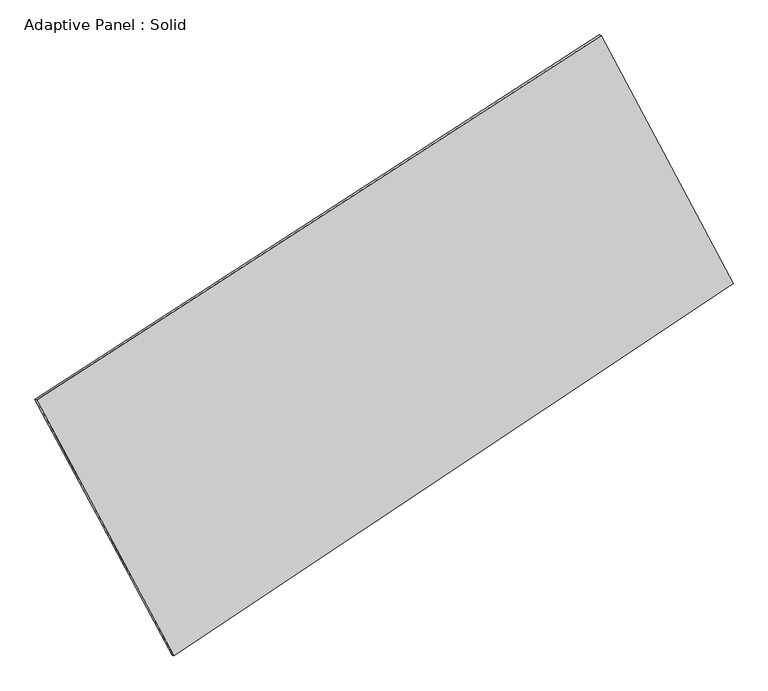
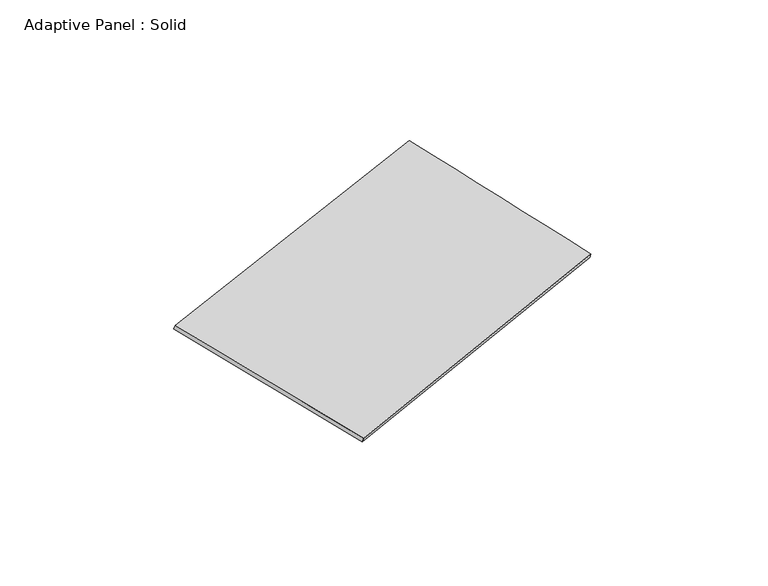
"""IFC4 building model written with IfcOpenShell, lengths in millimetres: plate geometry, Adaptive Panel : Solid."""

import ifcopenshell
import ifcopenshell.guid

model = None  # the IFC model being written
_history = None  # IfcOwnerHistory: only IFC2X3 demands one
_inside = {}  # id of a spatial element -> (the spatial element, [elements in it])
_under = {}  # id of a project, library or spatial element -> (it, [spatial elements below it])
_declared = {}  # id of a project -> (the project, [libraries it declares])
_typed = {}  # id of a type object -> (the type object, [elements of that type])
_made_of = {}  # id of a material, layer set ... -> (it, [elements and type objects made of it])


def new_model(schema):
    """Start an empty IFC model of exactly this schema.

    Asked for "IFC4X3", IfcOpenShell would pick the latest addendum, in which some entities
    have other attributes; the version numbers below select the first issue.
    IFC2X3 requires an IfcOwnerHistory on every rooted entity: one is made here for all.
    """
    global model, _history
    if schema == "IFC4X3":
        model = ifcopenshell.file(schema_version=(4, 3, 0, 0))
    else:
        model = ifcopenshell.file(schema=schema)
    _inside.clear()
    _under.clear()
    _declared.clear()
    _typed.clear()
    _made_of.clear()
    _history = None
    if model.schema == "IFC2X3":
        org = make("IfcOrganization", Name="unknown")
        user = make(
            "IfcPersonAndOrganization",
            ThePerson=make("IfcPerson", FamilyName="unknown"),
            TheOrganization=org,
        )
        app = make(
            "IfcApplication",
            ApplicationDeveloper=org,
            Version="unknown",
            ApplicationFullName="unknown",
            ApplicationIdentifier="unknown",
        )
        _history = make(
            "IfcOwnerHistory",
            OwningUser=user,
            OwningApplication=app,
            ChangeAction="ADDED",
            CreationDate=0,
        )
    return model


def make(cls, **values):
    """One entity of the class cls with the attributes given. An attribute that is None is left unset."""
    return model.create_entity(
        cls, **{name: value for name, value in values.items() if value is not None}
    )


def rooted(cls, **values):
    """An entity with a GlobalId (a new one), such as an element, a storey or a relation."""
    return make(cls, GlobalId=ifcopenshell.guid.new(), OwnerHistory=_history, **values)


def si_unit(unit_type, name, prefix=None):
    """IfcSIUnit, for example si_unit("LENGTHUNIT", "METRE", prefix="MILLI")."""
    return make("IfcSIUnit", UnitType=unit_type, Prefix=prefix, Name=name)


def assignment(units):
    """IfcUnitAssignment: the units of a project."""
    return None if units is None else make("IfcUnitAssignment", Units=units)


def point(xyz):
    """IfcCartesianPoint."""
    return None if xyz is None else make("IfcCartesianPoint", Coordinates=xyz)


def direction(xyz):
    """IfcDirection."""
    return None if xyz is None else make("IfcDirection", DirectionRatios=xyz)


def frame(location, z_axis=None, x_axis=None):
    """IfcAxis2Placement3D, a coordinate frame: its origin and axes. An axis left out is left unset."""
    return make(
        "IfcAxis2Placement3D",
        Location=point(location),
        Axis=direction(z_axis),
        RefDirection=direction(x_axis),
    )


def origin():
    """The frame at (0, 0, 0) with its axes left unset."""
    return frame((0.0, 0.0, 0.0))


def place(relative_to, where):
    """IfcLocalPlacement: puts the frame where relative to a parent placement (None: the world)."""
    return make(
        "IfcLocalPlacement", PlacementRelTo=relative_to, RelativePlacement=where
    )


def context(
    kind, dimensions, precision=None, world=None, true_north=None, identifier=None
):
    """IfcGeometricRepresentationContext, for example the 3D "Model" context."""
    return make(
        "IfcGeometricRepresentationContext",
        ContextIdentifier=identifier,
        ContextType=kind,
        CoordinateSpaceDimension=dimensions,
        Precision=precision,
        WorldCoordinateSystem=world,
        TrueNorth=true_north,
    )


def project(units=None, contexts=None):
    """IfcProject with its units and contexts."""
    return rooted(
        "IfcProject",
        Name="project",
        RepresentationContexts=contexts,
        UnitsInContext=assignment(units),
    )


def spatial(cls, under=None, at=None, **own):
    """A site, building, storey or space (cls), placed at a placement, below another one or the project."""
    s = rooted(cls, ObjectPlacement=at, **own)
    if under is not None:
        _under.setdefault(under.id(), (under, []))[1].append(s)
    return s


def shape(context_of_items, identifier, shape_type, items):
    """IfcShapeRepresentation: the items that make up one representation, for example the "Body"."""
    return make(
        "IfcShapeRepresentation",
        ContextOfItems=context_of_items,
        RepresentationIdentifier=identifier,
        RepresentationType=shape_type,
        Items=items,
    )


def source(mapping_origin, context_of_items, identifier, shape_type, items):
    """IfcRepresentationMap: a shape defined once, which mapped items show again and again."""
    return make(
        "IfcRepresentationMap",
        MappingOrigin=mapping_origin,
        MappedRepresentation=shape(context_of_items, identifier, shape_type, items),
    )


def transform(
    local_origin,
    x_axis=None,
    y_axis=None,
    z_axis=None,
    scale=None,
    scale2=None,
    scale3=None,
    uniform=True,
):
    """IfcCartesianTransformationOperator3D, or its non-uniform kind. x_axis, y_axis, z_axis: its Axis1, 2, 3."""
    if uniform:
        return make(
            "IfcCartesianTransformationOperator3D",
            Axis1=direction(x_axis),
            Axis2=direction(y_axis),
            LocalOrigin=point(local_origin),
            Scale=scale,
            Axis3=direction(z_axis),
        )
    return make(
        "IfcCartesianTransformationOperator3DnonUniform",
        Axis1=direction(x_axis),
        Axis2=direction(y_axis),
        LocalOrigin=point(local_origin),
        Scale=scale,
        Axis3=direction(z_axis),
        Scale2=scale2,
        Scale3=scale3,
    )


def mapped(mapping_source, mapping_target):
    """IfcMappedItem: shows the shape of a source again, moved by a transform."""
    return make(
        "IfcMappedItem", MappingSource=mapping_source, MappingTarget=mapping_target
    )


def made_of(thing, what):
    """Note that an element or type object is made of a material, layer set ...; save() writes the relation."""
    if what is not None:
        _made_of.setdefault(what.id(), (what, []))[1].append(thing)
    return thing


def element(
    cls,
    number,
    at=None,
    inside=None,
    cuts=None,
    type_object=None,
    material=None,
    context=None,
    identifier="Body",
    shape_type=None,
    held_by="IfcProductDefinitionShape",
    body=None,
    shapes=None,
    **own,
):
    """One element of the class cls, such as IfcWall. Its Tag is "e" and its number.

    at: its placement. inside: the storey or other place that contains it. cuts: it is an
    opening in that element (IfcRelVoidsElement). A single representation is given by context,
    identifier, shape_type and body (its items); several are given by shapes. held_by: the class
    of the entity that holds the representations. save() writes the other relations.
    """
    e = rooted(cls, Tag="e%d" % number, ObjectPlacement=at, **own)
    if body is not None:
        shapes = [shape(context, identifier, shape_type, body)]
    if shapes is not None:
        e.Representation = make(held_by, Representations=shapes)
    if inside is not None:
        _inside.setdefault(inside.id(), (inside, []))[1].append(e)
    if cuts is not None:
        rooted(
            "IfcRelVoidsElement", RelatingBuildingElement=cuts, RelatedOpeningElement=e
        )
    if type_object is not None:
        _typed.setdefault(type_object.id(), (type_object, []))[1].append(e)
    return made_of(e, material)


def aggregate(whole, parts):
    """IfcRelAggregates: a whole, such as a stair, and the parts it consists of."""
    return rooted("IfcRelAggregates", RelatingObject=whole, RelatedObjects=parts)


def save(model, path):
    """Write the relations noted so far, then the file.

    IfcRelAggregates (storeys below a building ...), IfcRelContainedInSpatialStructure (elements
    in a storey), IfcRelDefinesByType, IfcRelAssociatesMaterial and IfcRelDeclares: one each for
    every whole, place, type object, material and project.
    """
    for whole, parts in _under.values():
        aggregate(whole, parts)
    for where, things in _inside.values():
        rooted(
            "IfcRelContainedInSpatialStructure",
            RelatedElements=things,
            RelatingStructure=where,
        )
    for kind, things in _typed.values():
        rooted("IfcRelDefinesByType", RelatedObjects=things, RelatingType=kind)
    for what, things in _made_of.values():
        rooted("IfcRelAssociatesMaterial", RelatedObjects=things, RelatingMaterial=what)
    for by, libraries in _declared.values():
        rooted("IfcRelDeclares", RelatingContext=by, RelatedDefinitions=libraries)
    model.write(path)


def plane_surface(at):
    """IfcPlane: the flat surface through the origin of the frame at, square to its z axis."""
    return make("IfcPlane", Position=at)


def spline_surface(u_degree, v_degree, points, u_multiplicities, v_multiplicities, u_knots, v_knots, weights=None):
    """IfcBSplineSurfaceWithKnots; with weights, IfcRationalBSplineSurfaceWithKnots. points: one row for each step in u."""
    own = dict(
        UDegree=u_degree,
        VDegree=v_degree,
        ControlPointsList=[[point(p) for p in row] for row in points],
        SurfaceForm="UNSPECIFIED",
        UClosed=False,
        VClosed=False,
        SelfIntersect=False,
        UMultiplicities=u_multiplicities,
        VMultiplicities=v_multiplicities,
        UKnots=u_knots,
        VKnots=v_knots,
        KnotSpec="UNSPECIFIED",
    )
    if weights is None:
        return make("IfcBSplineSurfaceWithKnots", **own)
    return make("IfcRationalBSplineSurfaceWithKnots", WeightsData=weights, **own)


def advanced_brep(points, edges, surfaces, faces):
    """IfcAdvancedBrep: a solid bounded by faces that lie on surfaces and meet in shared edges.

    An edge is (start, end): straight between two places in points (the first is 0);
    or (start, end, curve); or (start, end, curve, False) where it runs against its curve.
    A face is (place in surfaces, loops), or (place, loops, False) where it looks against
    its surface's normal. A loop lists edges by number (the first is 1), with a minus sign
    where the edge is run from its end to its start. The first loop is the outer one.
    """
    corners = [point(p) for p in points]
    vertices = [make("IfcVertexPoint", VertexGeometry=c) for c in corners]
    made = []
    for start, end, *more in edges:
        made.append(
            make(
                "IfcEdgeCurve",
                EdgeStart=vertices[start],
                EdgeEnd=vertices[end],
                EdgeGeometry=more[0] if more else make("IfcPolyline", Points=[corners[start], corners[end]]),
                SameSense=more[1] if len(more) > 1 else True,
            )
        )
    hull = []
    for where, loops, *sense in faces:
        bounds = []
        for j, loop in enumerate(loops):
            ring = [make("IfcOrientedEdge", EdgeElement=made[abs(k) - 1], Orientation=k > 0) for k in loop]
            bounds.append(
                make(
                    "IfcFaceOuterBound" if j == 0 else "IfcFaceBound",
                    Bound=make("IfcEdgeLoop", EdgeList=ring),
                    Orientation=True,
                )
            )
        hull.append(make("IfcAdvancedFace", Bounds=bounds, FaceSurface=surfaces[where], SameSense=sense[0] if sense else True))
    return make("IfcAdvancedBrep", Outer=make("IfcClosedShell", CfsFaces=hull))


def adaptive_panel_solid_f8c36c8e(model_context):
    return source(origin(), model_context, "Body", "AdvancedBrep", [
        advanced_brep(
        [(1202.4442656, 2558.3350939, 669.8479942), (-3664.11673, -585.3085013, 1724.9166935), (-3649.4503742, -591.6885948, 1772.2896016), (1217.1106214, 2551.9550004, 717.2209023), (-2481.1616555, -2792.5914636, 1089.2206004), (-2466.4952997, -2798.971557, 1136.5935084), (2339.5435417, 419.3162982, 1.137232), (2354.2098976, 412.9362047, 48.5101401)],
        [
            (0, 1),
            (1, 2),
            (2, 3),
            (3, 0),
            (1, 4),
            (4, 5),
            (5, 2),
            (4, 6),
            (6, 7),
            (7, 5),
            (6, 0),
            (3, 7),
        ],
        [
            plane_surface(frame((-1230.8362322, 986.5132963, 1197.3823439), z_axis=(-0.4829210684903436, 0.8355377537297839, 0.26203798140790996), x_axis=(-0.8263963329238463, -0.5338257429557074, 0.17916243213298563))),
            plane_surface(frame((-3072.6391927, -1688.9499824, 1407.068647), z_axis=(-0.8408574861760455, -0.5059902652533953, 0.1921784051617152), x_axis=(0.45785020598114856, -0.854305442958986, -0.24603942573024895))),
            plane_surface(frame((-70.8090569, -1186.6375827, 545.1789162), z_axis=(0.49275985254735744, -0.8290828280452465, -0.2642146702172374), x_axis=(0.8178976214567506, 0.5449434493834393, -0.1846080111735922))),
            plane_surface(frame((1770.9939037, 1488.825696, 335.4926131), z_axis=(0.8404358063791704, 0.5067801550771117, -0.1919414748714105), x_axis=(-0.452472404738824, 0.85115433508129, 0.26609212844838687))),
            spline_surface(1, 1, [[(-3649.4503742, -591.6885948, 1772.2896016), (1217.1106214, 2551.9550004, 717.2209023)], [(-2466.4952997, -2798.971557, 1136.5935084), (2354.2098976, 412.9362047, 48.5101401)]], [2, 2], [2, 2], [0.0, 1.0], [0.0, 1.0]),
            spline_surface(1, 1, [[(2339.5435417, 419.3162982, 1.137232), (1202.4442656, 2558.3350939, 669.8479942)], [(-2481.1616555, -2792.5914636, 1089.2206004), (-3664.11673, -585.3085013, 1724.9166935)]], [2, 2], [2, 2], [0.0, 1.0], [0.0, 1.0]),
        ],
        [
            (0, [[1, 2, 3, 4]]),
            (1, [[5, 6, 7, -2]]),
            (2, [[8, 9, 10, -6]]),
            (3, [[11, -4, 12, -9]]),
            (4, [[-3, -7, -10, -12]]),
            (5, [[-11, -8, -5, -1]]),
        ],
    ),
    ])


if __name__ == "__main__":
    model = new_model("IFC4")
    model_context = context("Model", 3, world=origin())
    ifc_project = project(units=[si_unit("LENGTHUNIT", "METRE", prefix="MILLI")], contexts=[model_context])
    site = spatial("IfcSite", under=ifc_project)
    building = spatial("IfcBuilding", under=site)
    placement = place(None, origin())
    adaptive_panel_solid_shape = adaptive_panel_solid_f8c36c8e(model_context)
    element("IfcPlate", 1, ObjectType="Adaptive Panel : Solid", at=placement, inside=building, context=model_context, shape_type="MappedRepresentation", body=[
        mapped(adaptive_panel_solid_shape, transform((0.0, 0.0, 0.0), x_axis=(1.0, 0.0, 0.0), y_axis=(0.0, 1.0, 0.0), z_axis=(0.0, 0.0, 1.0))),
    ])
    save(model, "model.ifc")
